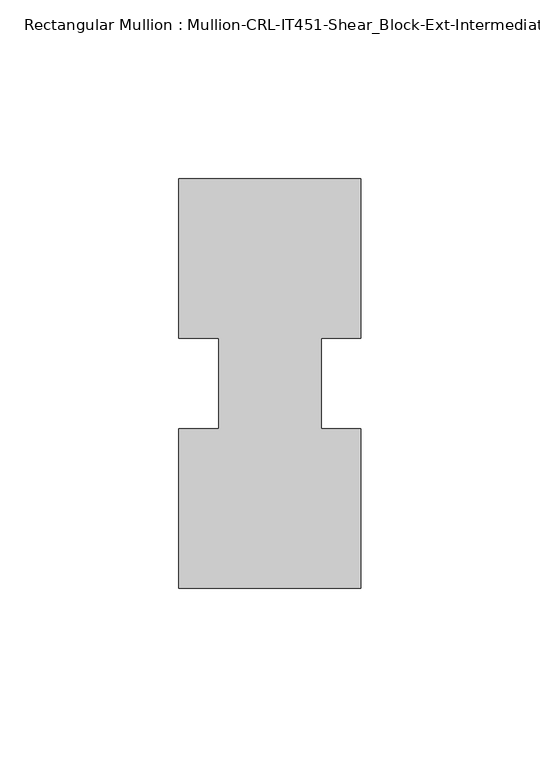
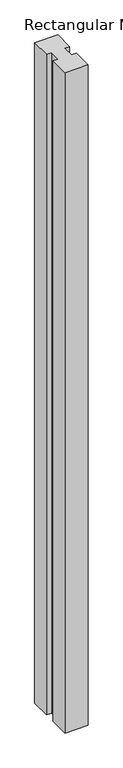
"""IFC4 building model written with IfcOpenShell, lengths in millimetres: member geometry, Rectangular Mullion : Mullion-CRL-IT451-Shear_Block-Ext-Intermediate_Vertical."""

from ifc_helpers import new_model, si_unit, frame, origin, place, context, project, spatial, polyline, outline, extrude, source, transform, mapped, element, save


def rectangular_mullion_mullion_crl_it451_shear_block_ext_93c54ec5(model_context):
    return source(origin(), model_context, "Body", "SweptSolid", [
        extrude(outline(polyline([(25.4, -57.15), (-25.4, -57.15), (-25.4, -12.7), (-14.2875, -12.7), (-14.2875, 12.7), (-25.4, 12.7), (-25.4, 57.15), (25.4, 57.15), (25.4, 12.7), (14.2875, 12.7), (14.2875, -12.7), (25.4, -12.7), (25.4, -57.15)])), frame((0.0, 0.0, -1524.0), z_axis=(0.0, 0.0, 1.0), x_axis=(1.0, 0.0, 0.0)), (0.0, 0.0, 1.0), 1524.0),
    ])


if __name__ == "__main__":
    model = new_model("IFC4")
    model_context = context("Model", 3, world=origin())
    ifc_project = project(units=[si_unit("LENGTHUNIT", "METRE", prefix="MILLI")], contexts=[model_context])
    site = spatial("IfcSite", under=ifc_project)
    building = spatial("IfcBuilding", under=site)
    placement = place(None, origin())
    rectangular_mullion_mullion_crl_it451_shear_block_ext_shape = rectangular_mullion_mullion_crl_it451_shear_block_ext_93c54ec5(model_context)
    element("IfcMember", 1, ObjectType="Rectangular Mullion : Mullion-CRL-IT451-Shear_Block-Ext-Intermediate_Vertical", at=placement, inside=building, context=model_context, shape_type="MappedRepresentation", body=[
        mapped(rectangular_mullion_mullion_crl_it451_shear_block_ext_shape, transform((0.0, 0.0, 0.0), x_axis=(1.0, 0.0, 0.0), y_axis=(0.0, 1.0, 0.0), z_axis=(0.0, 0.0, 1.0))),
    ])
    save(model, "model.ifc")
